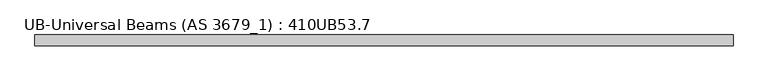
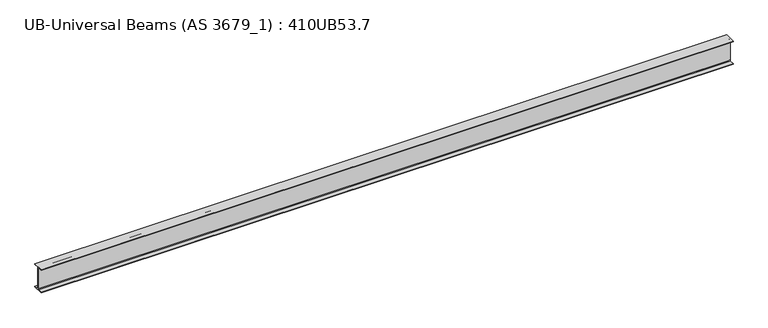
"""IFC4 building model written with IfcOpenShell, lengths in millimetres: beam geometry, UB-Universal Beams (AS 3679_1) : 410UB53.7."""

from ifc_helpers import new_model, si_unit, point, frame, frame_2d, origin, place, context, project, spatial, polyline, circle_curve, trimmed, segment, composite_curve, outline, extrude, source, transform, mapped, element, save


def ub_universal_beams_as_3679_1_410ub53_7_a5797491(model_context):
    return source(origin(), model_context, "Body", "SweptSolid", [
        extrude(outline(composite_curve([segment(polyline([(-89.0, -190.4), (-15.2, -190.4)]), True, "CONTINUOUS"), segment(trimmed(circle_curve(frame_2d((-15.2, -179.0)), 11.4), [point((-15.2, -190.4))], [point((-3.8, -179.0))], True, "CARTESIAN"), True, "CONTINUOUS"), segment(polyline([(-3.8, -179.0), (-3.8, 179.0)]), True, "CONTINUOUS"), segment(trimmed(circle_curve(frame_2d((-15.2, 179.0)), 11.4), [point((-3.8, 179.0))], [point((-15.2, 190.4))], True, "CARTESIAN"), True, "CONTINUOUS"), segment(polyline([(-15.2, 190.4), (-89.0, 190.4), (-89.0, 201.3), (89.0, 201.3), (89.0, 190.4), (15.2, 190.4)]), True, "CONTINUOUS"), segment(trimmed(circle_curve(frame_2d((15.2, 179.0)), 11.4), [point((15.2, 190.4))], [point((3.8, 179.0))], True, "CARTESIAN"), True, "CONTINUOUS"), segment(polyline([(3.8, 179.0), (3.8, -179.0)]), True, "CONTINUOUS"), segment(trimmed(circle_curve(frame_2d((15.2, -179.0)), 11.4), [point((3.8, -179.0))], [point((15.2, -190.4))], True, "CARTESIAN"), True, "CONTINUOUS"), segment(polyline([(15.2, -190.4), (89.0, -190.4), (89.0, -201.3), (-89.0, -201.3), (-89.0, -190.4)]), True, "CONTINUOUS")], self_intersect=False)), frame((-5693.05, 0.0, 0.0), z_axis=(1.0, 0.0, 0.0), x_axis=(0.0, 1.0, 0.0)), (0.0, 0.0, 1.0), 11373.4),
    ])


if __name__ == "__main__":
    model = new_model("IFC4")
    model_context = context("Model", 3, world=origin())
    ifc_project = project(units=[si_unit("LENGTHUNIT", "METRE", prefix="MILLI")], contexts=[model_context])
    site = spatial("IfcSite", under=ifc_project)
    building = spatial("IfcBuilding", under=site)
    placement = place(None, origin())
    ub_universal_beams_as_3679_1_410ub53_7_shape = ub_universal_beams_as_3679_1_410ub53_7_a5797491(model_context)
    element("IfcBeam", 1, ObjectType="UB-Universal Beams (AS 3679_1) : 410UB53.7", at=placement, inside=building, context=model_context, shape_type="MappedRepresentation", body=[
        mapped(ub_universal_beams_as_3679_1_410ub53_7_shape, transform((0.0, 0.0, 0.0), x_axis=(1.0, 0.0, 0.0), y_axis=(0.0, 1.0, 0.0), z_axis=(0.0, 0.0, 1.0))),
    ])
    save(model, "model.ifc")
